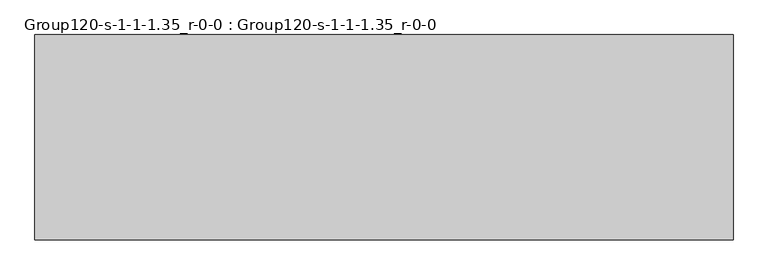
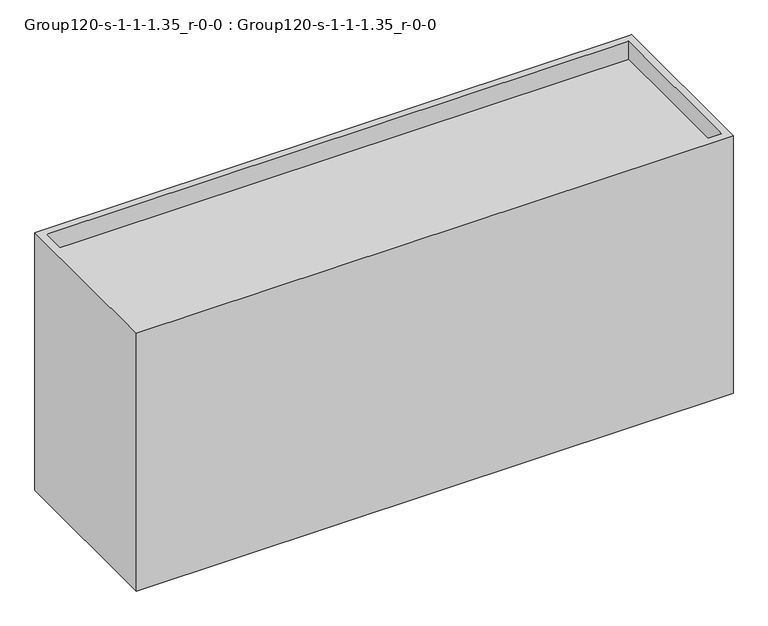
"""IFC4 building model written with IfcOpenShell, lengths in millimetres: geographic element geometry, Group120-s-1-1-1.35_r-0-0 : Group120-s-1-1-1.35_r-0-0."""

import ifcopenshell
import ifcopenshell.guid

model = None  # the IFC model being written
_history = None  # IfcOwnerHistory: only IFC2X3 demands one
_inside = {}  # id of a spatial element -> (the spatial element, [elements in it])
_under = {}  # id of a project, library or spatial element -> (it, [spatial elements below it])
_declared = {}  # id of a project -> (the project, [libraries it declares])
_typed = {}  # id of a type object -> (the type object, [elements of that type])
_made_of = {}  # id of a material, layer set ... -> (it, [elements and type objects made of it])


def new_model(schema):
    """Start an empty IFC model of exactly this schema.

    Asked for "IFC4X3", IfcOpenShell would pick the latest addendum, in which some entities
    have other attributes; the version numbers below select the first issue.
    IFC2X3 requires an IfcOwnerHistory on every rooted entity: one is made here for all.
    """
    global model, _history
    if schema == "IFC4X3":
        model = ifcopenshell.file(schema_version=(4, 3, 0, 0))
    else:
        model = ifcopenshell.file(schema=schema)
    _inside.clear()
    _under.clear()
    _declared.clear()
    _typed.clear()
    _made_of.clear()
    _history = None
    if model.schema == "IFC2X3":
        org = make("IfcOrganization", Name="unknown")
        user = make(
            "IfcPersonAndOrganization",
            ThePerson=make("IfcPerson", FamilyName="unknown"),
            TheOrganization=org,
        )
        app = make(
            "IfcApplication",
            ApplicationDeveloper=org,
            Version="unknown",
            ApplicationFullName="unknown",
            ApplicationIdentifier="unknown",
        )
        _history = make(
            "IfcOwnerHistory",
            OwningUser=user,
            OwningApplication=app,
            ChangeAction="ADDED",
            CreationDate=0,
        )
    return model


def make(cls, **values):
    """One entity of the class cls with the attributes given. An attribute that is None is left unset."""
    return model.create_entity(
        cls, **{name: value for name, value in values.items() if value is not None}
    )


def rooted(cls, **values):
    """An entity with a GlobalId (a new one), such as an element, a storey or a relation."""
    return make(cls, GlobalId=ifcopenshell.guid.new(), OwnerHistory=_history, **values)


def si_unit(unit_type, name, prefix=None):
    """IfcSIUnit, for example si_unit("LENGTHUNIT", "METRE", prefix="MILLI")."""
    return make("IfcSIUnit", UnitType=unit_type, Prefix=prefix, Name=name)


def assignment(units):
    """IfcUnitAssignment: the units of a project."""
    return None if units is None else make("IfcUnitAssignment", Units=units)


def point(xyz):
    """IfcCartesianPoint."""
    return None if xyz is None else make("IfcCartesianPoint", Coordinates=xyz)


def direction(xyz):
    """IfcDirection."""
    return None if xyz is None else make("IfcDirection", DirectionRatios=xyz)


def frame(location, z_axis=None, x_axis=None):
    """IfcAxis2Placement3D, a coordinate frame: its origin and axes. An axis left out is left unset."""
    return make(
        "IfcAxis2Placement3D",
        Location=point(location),
        Axis=direction(z_axis),
        RefDirection=direction(x_axis),
    )


def origin():
    """The frame at (0, 0, 0) with its axes left unset."""
    return frame((0.0, 0.0, 0.0))


def place(relative_to, where):
    """IfcLocalPlacement: puts the frame where relative to a parent placement (None: the world)."""
    return make(
        "IfcLocalPlacement", PlacementRelTo=relative_to, RelativePlacement=where
    )


def context(
    kind, dimensions, precision=None, world=None, true_north=None, identifier=None
):
    """IfcGeometricRepresentationContext, for example the 3D "Model" context."""
    return make(
        "IfcGeometricRepresentationContext",
        ContextIdentifier=identifier,
        ContextType=kind,
        CoordinateSpaceDimension=dimensions,
        Precision=precision,
        WorldCoordinateSystem=world,
        TrueNorth=true_north,
    )


def project(units=None, contexts=None):
    """IfcProject with its units and contexts."""
    return rooted(
        "IfcProject",
        Name="project",
        RepresentationContexts=contexts,
        UnitsInContext=assignment(units),
    )


def spatial(cls, under=None, at=None, **own):
    """A site, building, storey or space (cls), placed at a placement, below another one or the project."""
    s = rooted(cls, ObjectPlacement=at, **own)
    if under is not None:
        _under.setdefault(under.id(), (under, []))[1].append(s)
    return s


def point_list(points):
    """IfcCartesianPointList2D or 3D."""
    cls = (
        "IfcCartesianPointList2D" if len(points[0]) == 2 else "IfcCartesianPointList3D"
    )
    return make(cls, CoordList=points)


def triangles(points, corners, closed=None, point_numbers=None):
    """IfcTriangulatedFaceSet: each triangle names its three corners, points numbered from 1."""
    return make(
        "IfcTriangulatedFaceSet",
        Coordinates=point_list(points),
        Closed=closed,
        CoordIndex=corners,
        PnIndex=point_numbers,
    )


def shape(context_of_items, identifier, shape_type, items):
    """IfcShapeRepresentation: the items that make up one representation, for example the "Body"."""
    return make(
        "IfcShapeRepresentation",
        ContextOfItems=context_of_items,
        RepresentationIdentifier=identifier,
        RepresentationType=shape_type,
        Items=items,
    )


def source(mapping_origin, context_of_items, identifier, shape_type, items):
    """IfcRepresentationMap: a shape defined once, which mapped items show again and again."""
    return make(
        "IfcRepresentationMap",
        MappingOrigin=mapping_origin,
        MappedRepresentation=shape(context_of_items, identifier, shape_type, items),
    )


def transform(
    local_origin,
    x_axis=None,
    y_axis=None,
    z_axis=None,
    scale=None,
    scale2=None,
    scale3=None,
    uniform=True,
):
    """IfcCartesianTransformationOperator3D, or its non-uniform kind. x_axis, y_axis, z_axis: its Axis1, 2, 3."""
    if uniform:
        return make(
            "IfcCartesianTransformationOperator3D",
            Axis1=direction(x_axis),
            Axis2=direction(y_axis),
            LocalOrigin=point(local_origin),
            Scale=scale,
            Axis3=direction(z_axis),
        )
    return make(
        "IfcCartesianTransformationOperator3DnonUniform",
        Axis1=direction(x_axis),
        Axis2=direction(y_axis),
        LocalOrigin=point(local_origin),
        Scale=scale,
        Axis3=direction(z_axis),
        Scale2=scale2,
        Scale3=scale3,
    )


def mapped(mapping_source, mapping_target):
    """IfcMappedItem: shows the shape of a source again, moved by a transform."""
    return make(
        "IfcMappedItem", MappingSource=mapping_source, MappingTarget=mapping_target
    )


def made_of(thing, what):
    """Note that an element or type object is made of a material, layer set ...; save() writes the relation."""
    if what is not None:
        _made_of.setdefault(what.id(), (what, []))[1].append(thing)
    return thing


def element(
    cls,
    number,
    at=None,
    inside=None,
    cuts=None,
    type_object=None,
    material=None,
    context=None,
    identifier="Body",
    shape_type=None,
    held_by="IfcProductDefinitionShape",
    body=None,
    shapes=None,
    **own,
):
    """One element of the class cls, such as IfcWall. Its Tag is "e" and its number.

    at: its placement. inside: the storey or other place that contains it. cuts: it is an
    opening in that element (IfcRelVoidsElement). A single representation is given by context,
    identifier, shape_type and body (its items); several are given by shapes. held_by: the class
    of the entity that holds the representations. save() writes the other relations.
    """
    e = rooted(cls, Tag="e%d" % number, ObjectPlacement=at, **own)
    if body is not None:
        shapes = [shape(context, identifier, shape_type, body)]
    if shapes is not None:
        e.Representation = make(held_by, Representations=shapes)
    if inside is not None:
        _inside.setdefault(inside.id(), (inside, []))[1].append(e)
    if cuts is not None:
        rooted(
            "IfcRelVoidsElement", RelatingBuildingElement=cuts, RelatedOpeningElement=e
        )
    if type_object is not None:
        _typed.setdefault(type_object.id(), (type_object, []))[1].append(e)
    return made_of(e, material)


def aggregate(whole, parts):
    """IfcRelAggregates: a whole, such as a stair, and the parts it consists of."""
    return rooted("IfcRelAggregates", RelatingObject=whole, RelatedObjects=parts)


def save(model, path):
    """Write the relations noted so far, then the file.

    IfcRelAggregates (storeys below a building ...), IfcRelContainedInSpatialStructure (elements
    in a storey), IfcRelDefinesByType, IfcRelAssociatesMaterial and IfcRelDeclares: one each for
    every whole, place, type object, material and project.
    """
    for whole, parts in _under.values():
        aggregate(whole, parts)
    for where, things in _inside.values():
        rooted(
            "IfcRelContainedInSpatialStructure",
            RelatedElements=things,
            RelatingStructure=where,
        )
    for kind, things in _typed.values():
        rooted("IfcRelDefinesByType", RelatedObjects=things, RelatingType=kind)
    for what, things in _made_of.values():
        rooted("IfcRelAssociatesMaterial", RelatedObjects=things, RelatingMaterial=what)
    for by, libraries in _declared.values():
        rooted("IfcRelDeclares", RelatingContext=by, RelatedDefinitions=libraries)
    model.write(path)


def group120_s_1_1_1_35_r_0_0_group120_s_1_1_1_35_r_0_0_cdb471da(model_context):
    return source(origin(), model_context, "Body", "Tessellation", [
        triangles([(16976.7253876, 7585.0748062, 0.0), (-8792.4749451, 0.0, 0.0), (-8792.4749451, 7585.0748062, 0.0), (16976.7253876, 0.0, 0.0), (-8792.4749451, 0.0, 11767.99216), (16976.7253876, 0.0, 11767.99216), (16976.7253876, 7585.0748062, 11767.99216), (-8792.4749451, 7585.0748062, 11767.99216), (16671.9253876, 7280.2748062, 11767.99216), (-8487.6749451, 7280.2748062, 10945.0319275), (16671.9253876, 7280.2748062, 10945.0319275), (-8487.6749451, 7280.2748062, 11767.99216), (-8487.6749451, 304.8, 11767.99216), (16671.9253876, 304.8, 11767.99216), (16671.9253876, 304.8, 10945.0319275), (-8487.6749451, 304.8, 10945.0319275)], [[1, 2, 3], [2, 1, 4], [4, 5, 2], [5, 4, 6], [1, 6, 4], [6, 1, 7], [8, 1, 3], [1, 8, 7], [9, 10, 11], [10, 9, 12], [5, 13, 8], [13, 5, 6], [13, 6, 14], [14, 6, 9], [8, 12, 7], [12, 8, 13], [7, 12, 9], [7, 9, 6], [5, 3, 2], [3, 5, 8], [13, 15, 16], [15, 13, 14], [15, 10, 16], [10, 15, 11], [9, 15, 14], [15, 9, 11], [10, 13, 16], [13, 10, 12]]),
    ])


if __name__ == "__main__":
    model = new_model("IFC4")
    model_context = context("Model", 3, world=origin())
    ifc_project = project(units=[si_unit("LENGTHUNIT", "METRE", prefix="MILLI")], contexts=[model_context])
    site = spatial("IfcSite", under=ifc_project)
    building = spatial("IfcBuilding", under=site)
    placement = place(None, origin())
    group120_s_1_1_1_35_r_0_0_group120_s_1_1_1_35_r_0_0_shape = group120_s_1_1_1_35_r_0_0_group120_s_1_1_1_35_r_0_0_cdb471da(model_context)
    element("IfcGeographicElement", 1, ObjectType="Group120-s-1-1-1.35_r-0-0 : Group120-s-1-1-1.35_r-0-0", at=placement, inside=building, context=model_context, shape_type="MappedRepresentation", body=[
        mapped(group120_s_1_1_1_35_r_0_0_group120_s_1_1_1_35_r_0_0_shape, transform((0.0, 0.0, 0.0), x_axis=(1.0, 0.0, 0.0), y_axis=(0.0, 1.0, 0.0), z_axis=(0.0, 0.0, 1.0))),
    ])
    save(model, "model.ifc")
